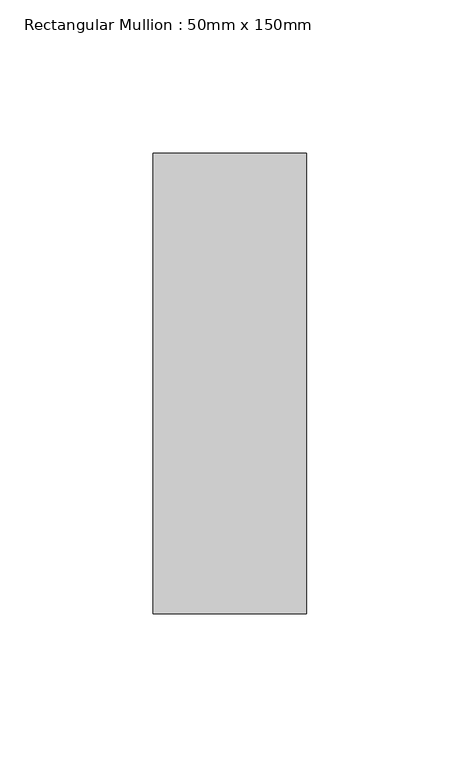
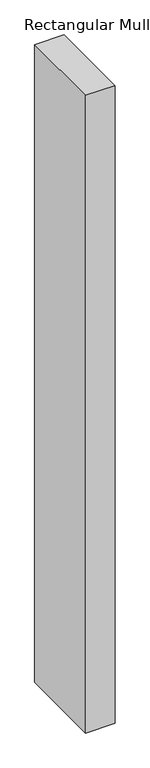
"""IFC4 building model written with IfcOpenShell, lengths in millimetres: member geometry, Rectangular Mullion : 50mm x 150mm."""

import ifcopenshell
import ifcopenshell.guid

model = None  # the IFC model being written
_history = None  # IfcOwnerHistory: only IFC2X3 demands one
_inside = {}  # id of a spatial element -> (the spatial element, [elements in it])
_under = {}  # id of a project, library or spatial element -> (it, [spatial elements below it])
_declared = {}  # id of a project -> (the project, [libraries it declares])
_typed = {}  # id of a type object -> (the type object, [elements of that type])
_made_of = {}  # id of a material, layer set ... -> (it, [elements and type objects made of it])


def new_model(schema):
    """Start an empty IFC model of exactly this schema.

    Asked for "IFC4X3", IfcOpenShell would pick the latest addendum, in which some entities
    have other attributes; the version numbers below select the first issue.
    IFC2X3 requires an IfcOwnerHistory on every rooted entity: one is made here for all.
    """
    global model, _history
    if schema == "IFC4X3":
        model = ifcopenshell.file(schema_version=(4, 3, 0, 0))
    else:
        model = ifcopenshell.file(schema=schema)
    _inside.clear()
    _under.clear()
    _declared.clear()
    _typed.clear()
    _made_of.clear()
    _history = None
    if model.schema == "IFC2X3":
        org = make("IfcOrganization", Name="unknown")
        user = make(
            "IfcPersonAndOrganization",
            ThePerson=make("IfcPerson", FamilyName="unknown"),
            TheOrganization=org,
        )
        app = make(
            "IfcApplication",
            ApplicationDeveloper=org,
            Version="unknown",
            ApplicationFullName="unknown",
            ApplicationIdentifier="unknown",
        )
        _history = make(
            "IfcOwnerHistory",
            OwningUser=user,
            OwningApplication=app,
            ChangeAction="ADDED",
            CreationDate=0,
        )
    return model


def make(cls, **values):
    """One entity of the class cls with the attributes given. An attribute that is None is left unset."""
    return model.create_entity(
        cls, **{name: value for name, value in values.items() if value is not None}
    )


def rooted(cls, **values):
    """An entity with a GlobalId (a new one), such as an element, a storey or a relation."""
    return make(cls, GlobalId=ifcopenshell.guid.new(), OwnerHistory=_history, **values)


def si_unit(unit_type, name, prefix=None):
    """IfcSIUnit, for example si_unit("LENGTHUNIT", "METRE", prefix="MILLI")."""
    return make("IfcSIUnit", UnitType=unit_type, Prefix=prefix, Name=name)


def assignment(units):
    """IfcUnitAssignment: the units of a project."""
    return None if units is None else make("IfcUnitAssignment", Units=units)


def point(xyz):
    """IfcCartesianPoint."""
    return None if xyz is None else make("IfcCartesianPoint", Coordinates=xyz)


def direction(xyz):
    """IfcDirection."""
    return None if xyz is None else make("IfcDirection", DirectionRatios=xyz)


def frame(location, z_axis=None, x_axis=None):
    """IfcAxis2Placement3D, a coordinate frame: its origin and axes. An axis left out is left unset."""
    return make(
        "IfcAxis2Placement3D",
        Location=point(location),
        Axis=direction(z_axis),
        RefDirection=direction(x_axis),
    )


def origin():
    """The frame at (0, 0, 0) with its axes left unset."""
    return frame((0.0, 0.0, 0.0))


def place(relative_to, where):
    """IfcLocalPlacement: puts the frame where relative to a parent placement (None: the world)."""
    return make(
        "IfcLocalPlacement", PlacementRelTo=relative_to, RelativePlacement=where
    )


def context(
    kind, dimensions, precision=None, world=None, true_north=None, identifier=None
):
    """IfcGeometricRepresentationContext, for example the 3D "Model" context."""
    return make(
        "IfcGeometricRepresentationContext",
        ContextIdentifier=identifier,
        ContextType=kind,
        CoordinateSpaceDimension=dimensions,
        Precision=precision,
        WorldCoordinateSystem=world,
        TrueNorth=true_north,
    )


def project(units=None, contexts=None):
    """IfcProject with its units and contexts."""
    return rooted(
        "IfcProject",
        Name="project",
        RepresentationContexts=contexts,
        UnitsInContext=assignment(units),
    )


def spatial(cls, under=None, at=None, **own):
    """A site, building, storey or space (cls), placed at a placement, below another one or the project."""
    s = rooted(cls, ObjectPlacement=at, **own)
    if under is not None:
        _under.setdefault(under.id(), (under, []))[1].append(s)
    return s


def polyline(points):
    """IfcPolyline through the points."""
    return make("IfcPolyline", Points=[point(p) for p in points])


def outline(outer, holes=None, kind="AREA"):
    """IfcArbitraryClosedProfileDef: a profile drawn as a closed curve; with holes, ...WithVoids."""
    if holes is None:
        return make("IfcArbitraryClosedProfileDef", ProfileType=kind, OuterCurve=outer)
    return make(
        "IfcArbitraryProfileDefWithVoids",
        ProfileType=kind,
        OuterCurve=outer,
        InnerCurves=holes,
    )


def extrude(swept, where, along, depth):
    """IfcExtrudedAreaSolid: the profile swept, set in the frame where, extruded along a direction by depth."""
    return make(
        "IfcExtrudedAreaSolid",
        SweptArea=swept,
        Position=where,
        ExtrudedDirection=direction(along),
        Depth=depth,
    )


def shape(context_of_items, identifier, shape_type, items):
    """IfcShapeRepresentation: the items that make up one representation, for example the "Body"."""
    return make(
        "IfcShapeRepresentation",
        ContextOfItems=context_of_items,
        RepresentationIdentifier=identifier,
        RepresentationType=shape_type,
        Items=items,
    )


def source(mapping_origin, context_of_items, identifier, shape_type, items):
    """IfcRepresentationMap: a shape defined once, which mapped items show again and again."""
    return make(
        "IfcRepresentationMap",
        MappingOrigin=mapping_origin,
        MappedRepresentation=shape(context_of_items, identifier, shape_type, items),
    )


def transform(
    local_origin,
    x_axis=None,
    y_axis=None,
    z_axis=None,
    scale=None,
    scale2=None,
    scale3=None,
    uniform=True,
):
    """IfcCartesianTransformationOperator3D, or its non-uniform kind. x_axis, y_axis, z_axis: its Axis1, 2, 3."""
    if uniform:
        return make(
            "IfcCartesianTransformationOperator3D",
            Axis1=direction(x_axis),
            Axis2=direction(y_axis),
            LocalOrigin=point(local_origin),
            Scale=scale,
            Axis3=direction(z_axis),
        )
    return make(
        "IfcCartesianTransformationOperator3DnonUniform",
        Axis1=direction(x_axis),
        Axis2=direction(y_axis),
        LocalOrigin=point(local_origin),
        Scale=scale,
        Axis3=direction(z_axis),
        Scale2=scale2,
        Scale3=scale3,
    )


def mapped(mapping_source, mapping_target):
    """IfcMappedItem: shows the shape of a source again, moved by a transform."""
    return make(
        "IfcMappedItem", MappingSource=mapping_source, MappingTarget=mapping_target
    )


def made_of(thing, what):
    """Note that an element or type object is made of a material, layer set ...; save() writes the relation."""
    if what is not None:
        _made_of.setdefault(what.id(), (what, []))[1].append(thing)
    return thing


def element(
    cls,
    number,
    at=None,
    inside=None,
    cuts=None,
    type_object=None,
    material=None,
    context=None,
    identifier="Body",
    shape_type=None,
    held_by="IfcProductDefinitionShape",
    body=None,
    shapes=None,
    **own,
):
    """One element of the class cls, such as IfcWall. Its Tag is "e" and its number.

    at: its placement. inside: the storey or other place that contains it. cuts: it is an
    opening in that element (IfcRelVoidsElement). A single representation is given by context,
    identifier, shape_type and body (its items); several are given by shapes. held_by: the class
    of the entity that holds the representations. save() writes the other relations.
    """
    e = rooted(cls, Tag="e%d" % number, ObjectPlacement=at, **own)
    if body is not None:
        shapes = [shape(context, identifier, shape_type, body)]
    if shapes is not None:
        e.Representation = make(held_by, Representations=shapes)
    if inside is not None:
        _inside.setdefault(inside.id(), (inside, []))[1].append(e)
    if cuts is not None:
        rooted(
            "IfcRelVoidsElement", RelatingBuildingElement=cuts, RelatedOpeningElement=e
        )
    if type_object is not None:
        _typed.setdefault(type_object.id(), (type_object, []))[1].append(e)
    return made_of(e, material)


def aggregate(whole, parts):
    """IfcRelAggregates: a whole, such as a stair, and the parts it consists of."""
    return rooted("IfcRelAggregates", RelatingObject=whole, RelatedObjects=parts)


def save(model, path):
    """Write the relations noted so far, then the file.

    IfcRelAggregates (storeys below a building ...), IfcRelContainedInSpatialStructure (elements
    in a storey), IfcRelDefinesByType, IfcRelAssociatesMaterial and IfcRelDeclares: one each for
    every whole, place, type object, material and project.
    """
    for whole, parts in _under.values():
        aggregate(whole, parts)
    for where, things in _inside.values():
        rooted(
            "IfcRelContainedInSpatialStructure",
            RelatedElements=things,
            RelatingStructure=where,
        )
    for kind, things in _typed.values():
        rooted("IfcRelDefinesByType", RelatedObjects=things, RelatingType=kind)
    for what, things in _made_of.values():
        rooted("IfcRelAssociatesMaterial", RelatedObjects=things, RelatingMaterial=what)
    for by, libraries in _declared.values():
        rooted("IfcRelDeclares", RelatingContext=by, RelatedDefinitions=libraries)
    model.write(path)


def rectangular_mullion_50mm_x_150mm_39f7ffa0(model_context):
    return source(origin(), model_context, "Body", "SweptSolid", [
        extrude(outline(polyline([(0.0, 75.0), (0.0, -75.0), (-50.0, -75.0), (-50.0, 75.0), (0.0, 75.0)])), frame((0.0, 0.0, -1142.8613533), z_axis=(0.0, 0.0, 1.0), x_axis=(1.0, 0.0, 0.0)), (0.0, 0.0, 1.0), 1142.8613533),
    ])


if __name__ == "__main__":
    model = new_model("IFC4")
    model_context = context("Model", 3, world=origin())
    ifc_project = project(units=[si_unit("LENGTHUNIT", "METRE", prefix="MILLI")], contexts=[model_context])
    site = spatial("IfcSite", under=ifc_project)
    building = spatial("IfcBuilding", under=site)
    placement = place(None, origin())
    rectangular_mullion_50mm_x_150mm_shape = rectangular_mullion_50mm_x_150mm_39f7ffa0(model_context)
    element("IfcMember", 1, ObjectType="Rectangular Mullion : 50mm x 150mm", at=placement, inside=building, context=model_context, shape_type="MappedRepresentation", body=[
        mapped(rectangular_mullion_50mm_x_150mm_shape, transform((0.0, 0.0, 0.0), x_axis=(1.0, 0.0, 0.0), y_axis=(0.0, 1.0, 0.0), z_axis=(0.0, 0.0, 1.0))),
    ])
    save(model, "model.ifc")
